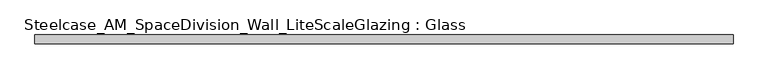
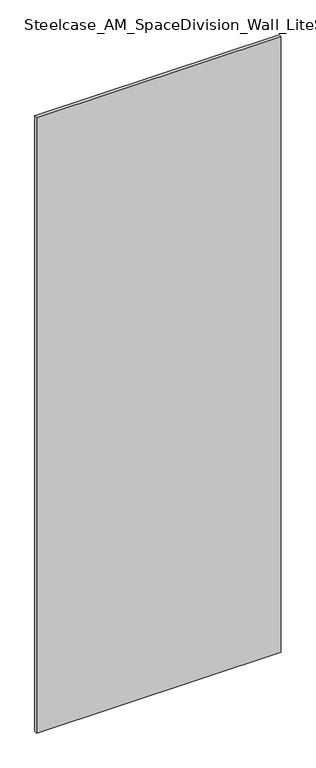
"""IFC4 building model written with IfcOpenShell, lengths in millimetres: plate geometry, Steelcase_AM_SpaceDivision_Wall_LiteScaleGlazing : Glass."""

from ifc_helpers import new_model, si_unit, origin, origin_with_axes, place, context, project, spatial, polyline, outline, extrude, source, transform, mapped, element, save


def steelcase_am_spacedivision_wall_litescaleglazing_glass_0b4d6374(model_context):
    return source(origin(), model_context, "Body", "SweptSolid", [
        extrude(outline(polyline([(-501.5526809, -6.349956), (-501.5526809, 6.3502015), (501.5526809, 6.3502015), (501.5526809, -6.349956), (-501.5526809, -6.349956)])), origin_with_axes(), (0.0, 0.0, 1.0), 2665.984),
    ])


if __name__ == "__main__":
    model = new_model("IFC4")
    model_context = context("Model", 3, world=origin())
    ifc_project = project(units=[si_unit("LENGTHUNIT", "METRE", prefix="MILLI")], contexts=[model_context])
    site = spatial("IfcSite", under=ifc_project)
    building = spatial("IfcBuilding", under=site)
    placement = place(None, origin())
    steelcase_am_spacedivision_wall_litescaleglazing_glass_shape = steelcase_am_spacedivision_wall_litescaleglazing_glass_0b4d6374(model_context)
    element("IfcPlate", 1, ObjectType="Steelcase_AM_SpaceDivision_Wall_LiteScaleGlazing : Glass", at=placement, inside=building, context=model_context, shape_type="MappedRepresentation", body=[
        mapped(steelcase_am_spacedivision_wall_litescaleglazing_glass_shape, transform((0.0, 0.0, 0.0), x_axis=(1.0, 0.0, 0.0), y_axis=(0.0, 1.0, 0.0), z_axis=(0.0, 0.0, 1.0))),
    ])
    save(model, "model.ifc")
